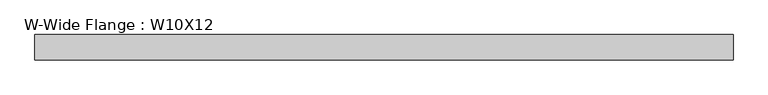
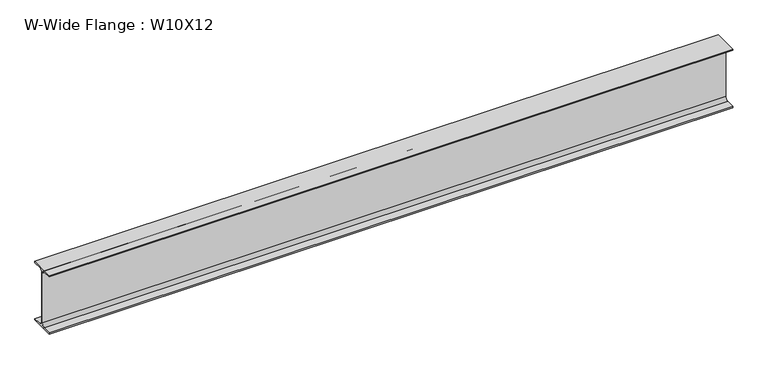
"""IFC4 building model written with IfcOpenShell, lengths in millimetres: beam geometry, W-Wide Flange : W10X12."""

from ifc_helpers import new_model, si_unit, point, frame, frame_2d, origin, place, context, project, spatial, polyline, circle_curve, trimmed, segment, composite_curve, outline, extrude, source, transform, mapped, element, save


def w_wide_flange_w10x12_467bd43c(model_context):
    return source(origin(), model_context, "Body", "SweptSolid", [
        extrude(outline(composite_curve([segment(polyline([(50.3039062, -120.0050781), (50.3039062, -125.3628906), (-50.3039063, -125.3628906), (-50.3039063, -120.0050781), (-16.1230469, -120.0050781)]), True, "CONTINUOUS"), segment(trimmed(circle_curve(frame_2d((-16.1230469, -106.3128906)), 13.6921875), [point((-16.1230469, -120.0050781))], [point((-2.4308594, -106.3128906))], True, "CARTESIAN"), True, "CONTINUOUS"), segment(polyline([(-2.4308594, -106.3128906), (-2.4308594, 106.3128906)]), True, "CONTINUOUS"), segment(trimmed(circle_curve(frame_2d((-16.1230469, 106.3128906)), 13.6921875), [point((-2.4308594, 106.3128906))], [point((-16.1230469, 120.0050781))], True, "CARTESIAN"), True, "CONTINUOUS"), segment(polyline([(-16.1230469, 120.0050781), (-50.3039063, 120.0050781), (-50.3039063, 125.3628906), (50.3039062, 125.3628906), (50.3039062, 120.0050781), (16.1230469, 120.0050781)]), True, "CONTINUOUS"), segment(trimmed(circle_curve(frame_2d((16.1230469, 106.3128906)), 13.6921875), [point((16.1230469, 120.0050781))], [point((2.4308594, 106.3128906))], True, "CARTESIAN"), True, "CONTINUOUS"), segment(polyline([(2.4308594, 106.3128906), (2.4308594, -106.3128906)]), True, "CONTINUOUS"), segment(trimmed(circle_curve(frame_2d((16.1230469, -106.3128906)), 13.6921875), [point((2.4308594, -106.3128906))], [point((16.1230469, -120.0050781))], True, "CARTESIAN"), True, "CONTINUOUS"), segment(polyline([(16.1230469, -120.0050781), (50.3039062, -120.0050781)]), True, "CONTINUOUS")], self_intersect=False)), frame((-1397.0, 0.0, 0.0), z_axis=(1.0, 0.0, 0.0), x_axis=(0.0, 1.0, 0.0)), (0.0, 0.0, 1.0), 2774.95),
    ])


if __name__ == "__main__":
    model = new_model("IFC4")
    model_context = context("Model", 3, world=origin())
    ifc_project = project(units=[si_unit("LENGTHUNIT", "METRE", prefix="MILLI")], contexts=[model_context])
    site = spatial("IfcSite", under=ifc_project)
    building = spatial("IfcBuilding", under=site)
    placement = place(None, origin())
    w_wide_flange_w10x12_shape = w_wide_flange_w10x12_467bd43c(model_context)
    element("IfcBeam", 1, ObjectType="W-Wide Flange : W10X12", at=placement, inside=building, context=model_context, shape_type="MappedRepresentation", body=[
        mapped(w_wide_flange_w10x12_shape, transform((0.0, 0.0, 0.0), x_axis=(1.0, 0.0, 0.0), y_axis=(0.0, 1.0, 0.0), z_axis=(0.0, 0.0, 1.0))),
    ])
    save(model, "model.ifc")
